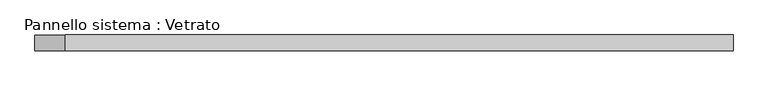
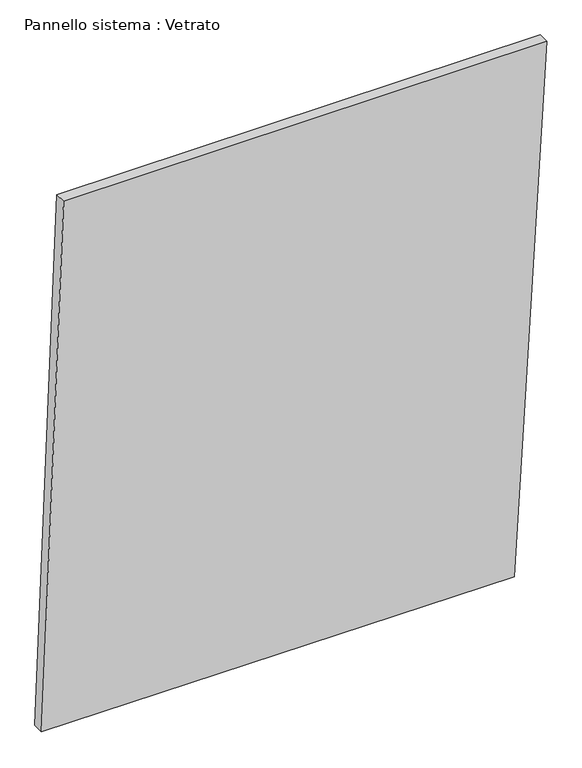
"""IFC4 building model written with IfcOpenShell, lengths in millimetres: plate geometry, Pannello sistema : Vetrato."""

from ifc_helpers import new_model, si_unit, frame, origin, place, context, project, spatial, polyline, outline, extrude, source, transform, mapped, element, save


def pannello_sistema_vetrato_3ed2589f(model_context):
    return source(origin(), model_context, "Body", "SweptSolid", [
        extrude(outline(polyline([(3.5570772, -664.2209211), (0.0, 578.8043761), (1457.740334, 664.2209211), (1457.740334, -606.2974642), (3.5570772, -664.2209211)])), frame((0.0, -15.0, 0.0), z_axis=(0.0, 1.0, 0.0), x_axis=(0.0, 0.0, 1.0)), (0.0, 0.0, 1.0), 30.0),
    ])


if __name__ == "__main__":
    model = new_model("IFC4")
    model_context = context("Model", 3, world=origin())
    ifc_project = project(units=[si_unit("LENGTHUNIT", "METRE", prefix="MILLI")], contexts=[model_context])
    site = spatial("IfcSite", under=ifc_project)
    building = spatial("IfcBuilding", under=site)
    placement = place(None, origin())
    pannello_sistema_vetrato_shape = pannello_sistema_vetrato_3ed2589f(model_context)
    element("IfcPlate", 1, ObjectType="Pannello sistema : Vetrato", at=placement, inside=building, context=model_context, shape_type="MappedRepresentation", body=[
        mapped(pannello_sistema_vetrato_shape, transform((0.0, 0.0, 0.0), x_axis=(1.0, 0.0, 0.0), y_axis=(0.0, 1.0, 0.0), z_axis=(0.0, 0.0, 1.0))),
    ])
    save(model, "model.ifc")
